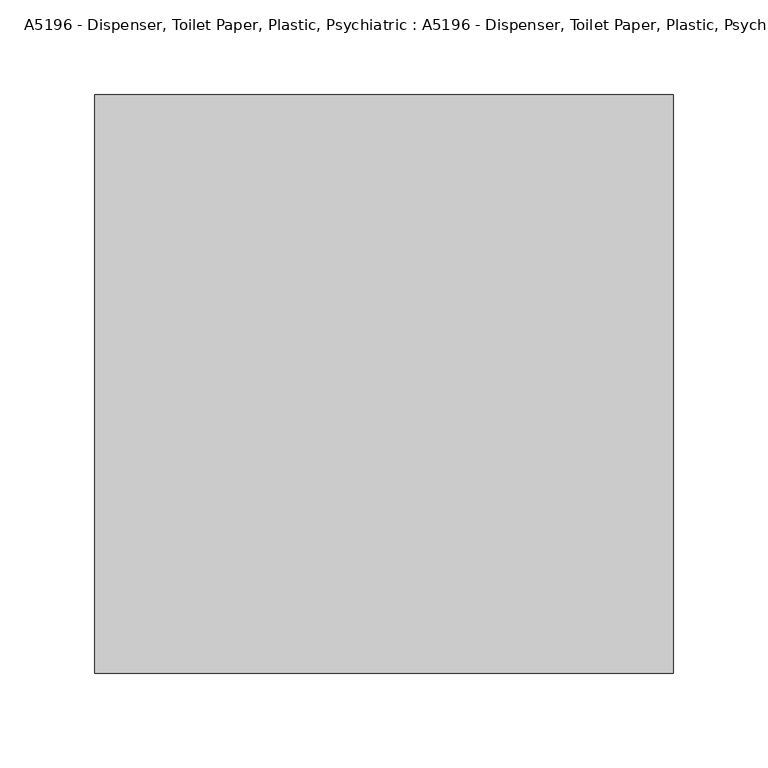
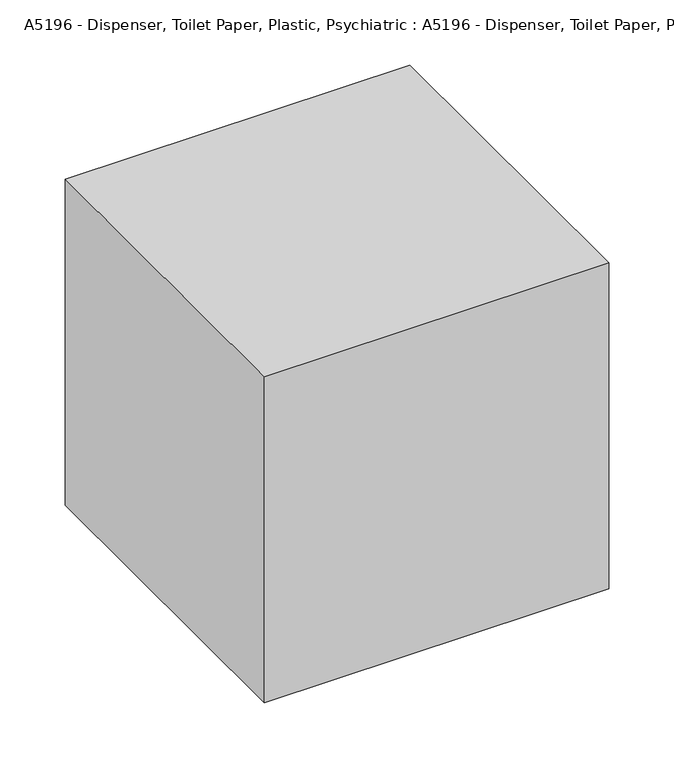
"""IFC4 building model written with IfcOpenShell, lengths in millimetres: proxy geometry, A5196 - Dispenser, Toilet Paper, Plastic, Psychiatric : A5196 - Dispenser, Toilet Paper, Plastic, Psychiatric."""

from ifc_helpers import new_model, si_unit, point, frame_2d, origin, origin_with_axes, place, context, project, spatial, polyline, circle_curve, trimmed, segment, composite_curve, outline, extrude, source, transform, mapped, element, save


def a5196_dispenser_toilet_paper_plastic_psychiatric_a5196_7243588c(model_context):
    return source(origin(), model_context, "Body", "SweptSolid", [
        extrude(outline(polyline([(88.9, 0.0), (88.9, -177.8), (-88.9, -177.8), (-88.9, 0.0), (88.9, 0.0)]), holes=[composite_curve([segment(trimmed(circle_curve(frame_2d((0.0, -88.9)), 76.2), [point((-76.2, -88.9))], [point((76.2, -88.9))], True, "CARTESIAN"), True, "CONTINUOUS"), segment(trimmed(circle_curve(frame_2d((0.0, -88.9)), 76.2), [point((76.2, -88.9))], [point((-76.2, -88.9))], True, "CARTESIAN"), True, "CONTINUOUS")], self_intersect=False)]), origin_with_axes(), (0.0, 0.0, 1.0), 12.7),
        extrude(outline(polyline([(152.4, -304.8), (-152.4, -304.8), (-152.4, 0.0), (152.4, 0.0), (152.4, -304.8)])), origin_with_axes(), (0.0, 0.0, 1.0), 304.8),
    ])


if __name__ == "__main__":
    model = new_model("IFC4")
    model_context = context("Model", 3, world=origin())
    ifc_project = project(units=[si_unit("LENGTHUNIT", "METRE", prefix="MILLI")], contexts=[model_context])
    site = spatial("IfcSite", under=ifc_project)
    building = spatial("IfcBuilding", under=site)
    placement = place(None, origin())
    a5196_dispenser_toilet_paper_plastic_psychiatric_a5196_shape = a5196_dispenser_toilet_paper_plastic_psychiatric_a5196_7243588c(model_context)
    element("IfcBuildingElementProxy", 1, Name="A5196 - Dispenser, Toilet Paper, Plastic, Psychiatric : A5196 - Dispenser, Toilet Paper, Plastic, Psychiatric", ObjectType="A5196 - Dispenser, Toilet Paper, Plastic, Psychiatric : A5196 - Dispenser, Toilet Paper, Plastic, Psychiatric", at=placement, inside=building, context=model_context, shape_type="MappedRepresentation", body=[
        mapped(a5196_dispenser_toilet_paper_plastic_psychiatric_a5196_shape, transform((0.0, 0.0, 0.0), x_axis=(1.0, 0.0, 0.0), y_axis=(0.0, 1.0, 0.0), z_axis=(0.0, 0.0, 1.0))),
    ])
    save(model, "model.ifc")
